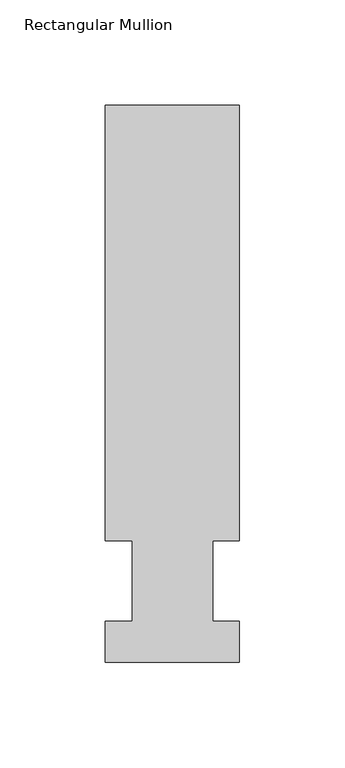
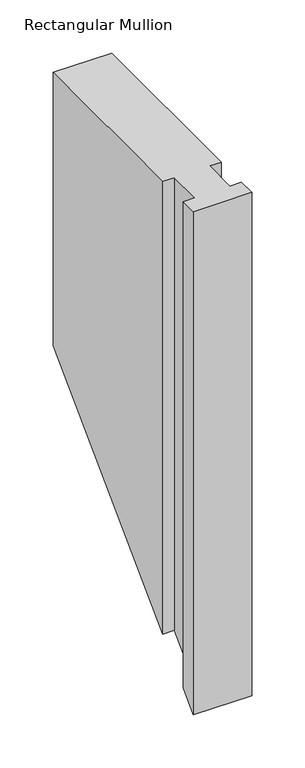
"""IFC4 building model written with IfcOpenShell, lengths in millimetres: member geometry, Rectangular Mullion."""

from ifc_helpers import new_model, si_unit, origin, place, context, project, spatial, faceted_brep, source, transform, mapped, element, save


def rectangular_mullion_9509074b(model_context):
    return source(origin(), model_context, "Body", "Brep", [
        faceted_brep([(-63.5, 57.6460937, 0.0), (-50.8, 57.6460937, 0.0), (-50.8, 19.5460938, 0.0), (-63.5, 19.5460938, 0.0), (-63.5, 0.0134938, 0.0), (0.0, 0.0134938, 0.0), (0.0, 19.5460938, 0.0), (-12.6873, 19.5460938, 0.0), (-12.6873, 57.6460937, 0.0), (0.0, 57.6460938, 0.0), (0.0, 264.0210938, 0.0), (-63.5, 264.0210938, 0.0), (-63.5, 57.6460937, -520.2039057), (-50.8, 57.6460937, -520.2039057), (-50.8, 19.5460938, -558.3039057), (-63.5, 19.5460938, -558.3039057), (-63.5, 0.0134938, -577.8365057), (0.0, 0.0134938, -577.8365057), (0.0, 19.5460938, -558.3039057), (-12.6873, 19.5460938, -558.3039057), (-12.6873, 57.6460938, -520.2039057), (0.0, 57.6460938, -520.2039057), (0.0, 264.0210938, -313.8289057), (-63.5, 264.0210938, -313.8289057)], [[[0, 1, 2, 3, 4, 5, 6, 7, 8, 9, 10, 11]], [[1, 0, 12, 13]], [[2, 1, 13, 14]], [[3, 2, 14, 15]], [[4, 3, 15, 16]], [[5, 4, 16, 17]], [[6, 5, 17, 18]], [[7, 6, 18, 19]], [[8, 7, 19, 20]], [[9, 8, 20, 21]], [[10, 9, 21, 22]], [[11, 10, 22, 23]], [[0, 11, 23, 12]], [[12, 23, 22, 21, 20, 19, 18, 17, 16, 15, 14, 13]]]),
    ])


if __name__ == "__main__":
    model = new_model("IFC4")
    model_context = context("Model", 3, world=origin())
    ifc_project = project(units=[si_unit("LENGTHUNIT", "METRE", prefix="MILLI")], contexts=[model_context])
    site = spatial("IfcSite", under=ifc_project)
    building = spatial("IfcBuilding", under=site)
    placement = place(None, origin())
    rectangular_mullion_shape = rectangular_mullion_9509074b(model_context)
    element("IfcMember", 1, ObjectType="Rectangular Mullion", at=placement, inside=building, context=model_context, shape_type="MappedRepresentation", body=[
        mapped(rectangular_mullion_shape, transform((0.0, 0.0, 0.0), x_axis=(1.0, 0.0, 0.0), y_axis=(0.0, 1.0, 0.0), z_axis=(0.0, 0.0, 1.0))),
    ])
    save(model, "model.ifc")
